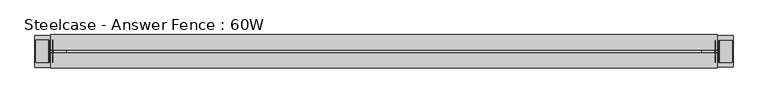
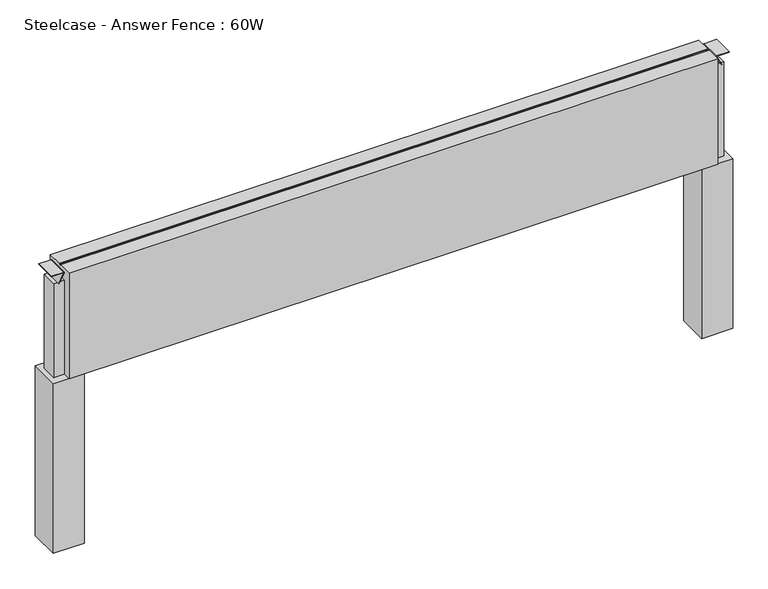
"""IFC4 building model written with IfcOpenShell, lengths in millimetres: furniture geometry, Steelcase - Answer Fence : 60W."""

from ifc_helpers import new_model, si_unit, point, frame, frame_2d, origin, place, context, project, spatial, polyline, circle_curve, trimmed, segment, composite_curve, outline, extrude, source, transform, mapped, element, save


def steelcase_answer_fence_60w_f19f128e(model_context):
    return source(origin(), model_context, "Body", "SweptSolid", [
        extrude(outline(polyline([(1520.2153999, 28.9756526), (1520.2153999, -43.7191471), (1447.5206001, -43.7191471), (1447.5206001, 28.9756526), (1520.2153999, 28.9756526)])), frame((0.0, 0.0, 15.4939671), z_axis=(0.0, 0.0, 1.0), x_axis=(1.0, 0.0, 0.0)), (0.0, 0.0, 1.0), 420.9763759),
        extrude(outline(composite_curve([segment(polyline([(694.8271015, 1448.7942703), (694.8271015, 1477.6823183)]), True, "CONTINUOUS"), segment(trimmed(circle_curve(frame_2d((693.8373834, 1477.6823183)), 0.9897181), [point((694.8271015, 1477.6823183))], [point((693.3575585, 1478.5479452))], True, "CARTESIAN"), True, "CONTINUOUS"), segment(polyline([(693.3575585, 1478.5479452), (670.7684479, 1466.0265967), (670.3405135, 1466.7983685), (693.0018984, 1479.3637221)]), True, "CONTINUOUS"), segment(trimmed(circle_curve(frame_2d((693.8919079, 1477.7586063)), 1.8353511), [point((693.0018984, 1479.3637221))], [point((695.7272589, 1477.7586063))], False, "CARTESIAN"), True, "CONTINUOUS"), segment(polyline([(695.7272589, 1477.7586063), (695.7272589, 1448.7942703), (694.8271015, 1448.7942703)]), True, "CONTINUOUS")], self_intersect=False)), frame((0.0, -33.0896971, 0.0), z_axis=(0.0, 1.0, 0.0), x_axis=(0.0, 0.0, 1.0)), (0.0, 0.0, 1.0), 50.8000666),
        extrude(outline(composite_curve([segment(polyline([(694.8271015, 1518.5448547), (695.7272589, 1518.5448547), (695.7272589, 1489.5805187)]), True, "CONTINUOUS"), segment(trimmed(circle_curve(frame_2d((693.8919079, 1489.5805187)), 1.8353511), [point((695.7272589, 1489.5805187))], [point((693.0018984, 1487.9754029))], False, "CARTESIAN"), True, "CONTINUOUS"), segment(polyline([(693.0018984, 1487.9754029), (670.3405135, 1500.5407565), (670.7684479, 1501.3125283), (693.3575585, 1488.7911798)]), True, "CONTINUOUS"), segment(trimmed(circle_curve(frame_2d((693.8373834, 1489.6568067)), 0.9897181), [point((693.3575585, 1488.7911798))], [point((694.8271015, 1489.6568067))], True, "CARTESIAN"), True, "CONTINUOUS"), segment(polyline([(694.8271015, 1489.6568067), (694.8271015, 1518.5448547)]), True, "CONTINUOUS")], self_intersect=False)), frame((0.0, -33.0896971, 0.0), z_axis=(0.0, 1.0, 0.0), x_axis=(0.0, 0.0, 1.0)), (0.0, 0.0, 1.0), 50.8000666),
        extrude(outline(polyline([(1509.1938496, 11.3543833), (1509.1938496, -26.7337081), (1458.3938496, -26.7337081), (1458.3938496, 11.3543833), (1509.1938496, 11.3543833)])), frame((0.0, 0.0, 436.470343), z_axis=(0.0, 0.0, 1.0), x_axis=(1.0, 0.0, 0.0)), (0.0, 0.0, 1.0), 233.7346385),
        extrude(outline(polyline([(-74.4473999, -43.8092555), (-74.4473999, 28.8855443), (-1.7526001, 28.8855443), (-1.7526001, -43.8092555), (-74.4473999, -43.8092555)])), frame((0.0, 0.0, 15.4939671), z_axis=(0.0, 0.0, 1.0), x_axis=(1.0, 0.0, 0.0)), (0.0, 0.0, 1.0), 420.9763759),
        extrude(outline(composite_curve([segment(polyline([(694.8271015, -3.0262703), (695.7272589, -3.0262703), (695.7272589, -31.9906063)]), True, "CONTINUOUS"), segment(trimmed(circle_curve(frame_2d((693.8919079, -31.9906063)), 1.8353511), [point((695.7272589, -31.9906063))], [point((693.0018984, -33.5957221))], False, "CARTESIAN"), True, "CONTINUOUS"), segment(polyline([(693.0018984, -33.5957221), (670.3405135, -21.0303685), (670.7684479, -20.2585967), (693.3575585, -32.7799452)]), True, "CONTINUOUS"), segment(trimmed(circle_curve(frame_2d((693.8373834, -31.9143183)), 0.9897181), [point((693.3575585, -32.7799452))], [point((694.8271015, -31.9143183))], True, "CARTESIAN"), True, "CONTINUOUS"), segment(polyline([(694.8271015, -31.9143183), (694.8271015, -3.0262703)]), True, "CONTINUOUS")], self_intersect=False)), frame((0.0, -32.5439723, 0.0), z_axis=(0.0, 1.0, 0.0), x_axis=(0.0, 0.0, 1.0)), (0.0, 0.0, 1.0), 50.8000666),
        extrude(outline(composite_curve([segment(polyline([(694.8271015, -72.7768547), (694.8271015, -43.8888067)]), True, "CONTINUOUS"), segment(trimmed(circle_curve(frame_2d((693.8373834, -43.8888067)), 0.9897181), [point((694.8271015, -43.8888067))], [point((693.3575585, -43.0231798))], True, "CARTESIAN"), True, "CONTINUOUS"), segment(polyline([(693.3575585, -43.0231798), (670.7684479, -55.5445283), (670.3405135, -54.7727565), (693.0018984, -42.2074029)]), True, "CONTINUOUS"), segment(trimmed(circle_curve(frame_2d((693.8919079, -43.8125187)), 1.8353511), [point((693.0018984, -42.2074029))], [point((695.7272589, -43.8125187))], False, "CARTESIAN"), True, "CONTINUOUS"), segment(polyline([(695.7272589, -43.8125187), (695.7272589, -72.7768547), (694.8271015, -72.7768547)]), True, "CONTINUOUS")], self_intersect=False)), frame((0.0, -32.5439723, 0.0), z_axis=(0.0, 1.0, 0.0), x_axis=(0.0, 0.0, 1.0)), (0.0, 0.0, 1.0), 50.8000666),
        extrude(outline(polyline([(-63.4258496, -26.1879861), (-63.4258496, 11.9001053), (-12.6258496, 11.9001053), (-12.6258496, -26.1879861), (-63.4258496, -26.1879861)])), frame((0.0, 0.0, 436.470343), z_axis=(0.0, 0.0, 1.0), x_axis=(1.0, 0.0, 0.0)), (0.0, 0.0, 1.0), 233.7346385),
        extrude(outline(polyline([(30.6507456, 698.5), (30.6507456, 436.470343), (-45.5168014, 436.470343), (-45.5168014, 698.5), (-10.7419756, 698.5), (-10.7419756, 695.721875), (-4.4428302, 695.721875), (-4.4428302, 698.5), (30.6507456, 698.5)])), frame((-38.1, 0.0, 0.0), z_axis=(1.0, 0.0, 0.0), x_axis=(0.0, 1.0, 0.0)), (0.0, 0.0, 1.0), 1521.968),
    ])


if __name__ == "__main__":
    model = new_model("IFC4")
    model_context = context("Model", 3, world=origin())
    ifc_project = project(units=[si_unit("LENGTHUNIT", "METRE", prefix="MILLI")], contexts=[model_context])
    site = spatial("IfcSite", under=ifc_project)
    building = spatial("IfcBuilding", under=site)
    placement = place(None, origin())
    steelcase_answer_fence_60w_shape = steelcase_answer_fence_60w_f19f128e(model_context)
    element("IfcFurniture", 1, ObjectType="Steelcase - Answer Fence : 60W", at=placement, inside=building, context=model_context, shape_type="MappedRepresentation", body=[
        mapped(steelcase_answer_fence_60w_shape, transform((0.0, 0.0, 0.0), x_axis=(1.0, 0.0, 0.0), y_axis=(0.0, 1.0, 0.0), z_axis=(0.0, 0.0, 1.0))),
    ])
    save(model, "model.ifc")
